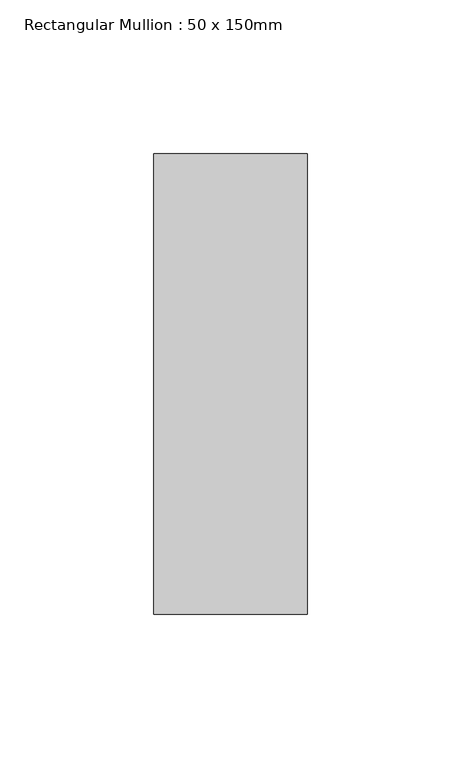
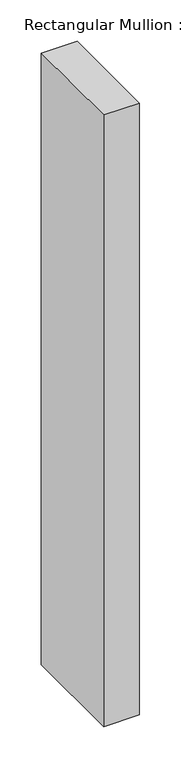
"""IFC4 building model written with IfcOpenShell, lengths in millimetres: member geometry, Rectangular Mullion : 50 x 150mm."""

from ifc_helpers import new_model, si_unit, frame, origin, place, context, project, spatial, polyline, outline, extrude, source, transform, mapped, element, save


def rectangular_mullion_50_x_150mm_e080c5a4(model_context):
    return source(origin(), model_context, "Body", "SweptSolid", [
        extrude(outline(polyline([(25.0, 75.0), (25.0, -75.0), (-25.0, -75.0), (-25.0, 75.0), (25.0, 75.0)])), frame((0.0, 0.0, -901.6666667), z_axis=(0.0, 0.0, 1.0), x_axis=(1.0, 0.0, 0.0)), (0.0, 0.0, 1.0), 901.6666667),
    ])


if __name__ == "__main__":
    model = new_model("IFC4")
    model_context = context("Model", 3, world=origin())
    ifc_project = project(units=[si_unit("LENGTHUNIT", "METRE", prefix="MILLI")], contexts=[model_context])
    site = spatial("IfcSite", under=ifc_project)
    building = spatial("IfcBuilding", under=site)
    placement = place(None, origin())
    rectangular_mullion_50_x_150mm_shape = rectangular_mullion_50_x_150mm_e080c5a4(model_context)
    element("IfcMember", 1, ObjectType="Rectangular Mullion : 50 x 150mm", at=placement, inside=building, context=model_context, shape_type="MappedRepresentation", body=[
        mapped(rectangular_mullion_50_x_150mm_shape, transform((0.0, 0.0, 0.0), x_axis=(1.0, 0.0, 0.0), y_axis=(0.0, 1.0, 0.0), z_axis=(0.0, 0.0, 1.0))),
    ])
    save(model, "model.ifc")
